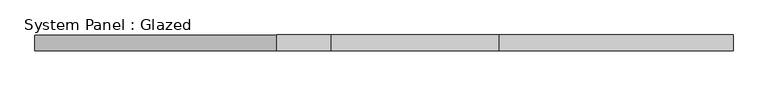
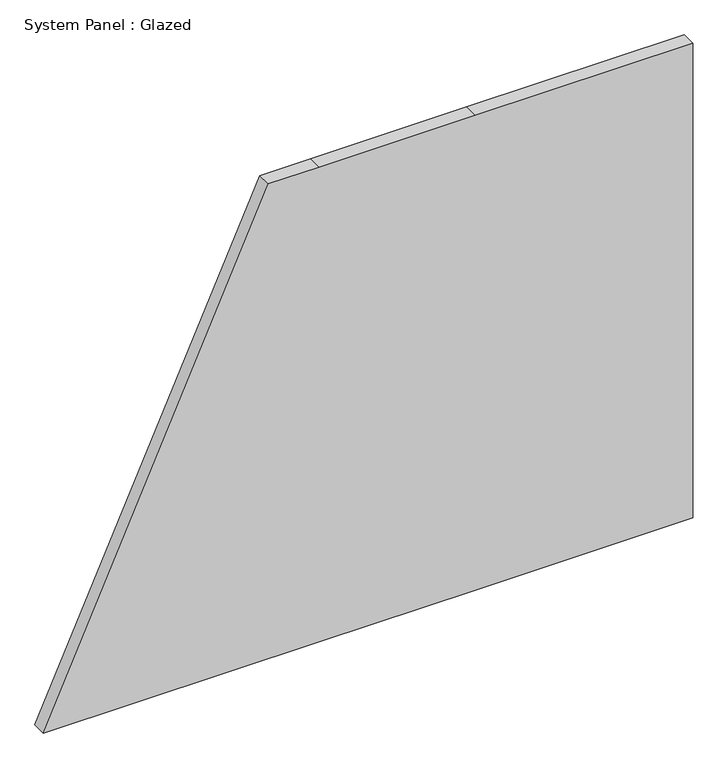
"""IFC4 building model written with IfcOpenShell, lengths in millimetres: plate geometry, System Panel : Glazed."""

from ifc_helpers import new_model, si_unit, point, frame, frame_2d, origin, place, context, project, spatial, polyline, circle_curve, trimmed, segment, composite_curve, outline, extrude, source, transform, mapped, element, save


def system_panel_glazed_610f6d64(model_context):
    return source(origin(), model_context, "Body", "SweptSolid", [
        extrude(outline(composite_curve([segment(polyline([(0.0, -550.1692366), (0.0, -83.2488547), (0.0, 181.3957252), (0.0, 550.1692366), (850.0, 550.1692366), (850.0, 181.3957252), (850.0, -83.2488547), (850.0, -169.0436593)]), True, "CONTINUOUS"), segment(trimmed(circle_curve(frame_2d((-2376.8533559, 5889.1878973)), 6864.0186607), [point((850.0, -169.0436593))], [point((0.0, -550.1692366))], False, "CARTESIAN"), True, "CONTINUOUS")], self_intersect=False)), frame((0.0, 24.5, 0.0), z_axis=(0.0, 1.0, 0.0), x_axis=(0.0, 0.0, 1.0)), (0.0, 0.0, 1.0), 25.0),
    ])


if __name__ == "__main__":
    model = new_model("IFC4")
    model_context = context("Model", 3, world=origin())
    ifc_project = project(units=[si_unit("LENGTHUNIT", "METRE", prefix="MILLI")], contexts=[model_context])
    site = spatial("IfcSite", under=ifc_project)
    building = spatial("IfcBuilding", under=site)
    placement = place(None, origin())
    system_panel_glazed_shape = system_panel_glazed_610f6d64(model_context)
    element("IfcPlate", 1, ObjectType="System Panel : Glazed", at=placement, inside=building, context=model_context, shape_type="MappedRepresentation", body=[
        mapped(system_panel_glazed_shape, transform((0.0, 0.0, 0.0), x_axis=(1.0, 0.0, 0.0), y_axis=(0.0, 1.0, 0.0), z_axis=(0.0, 0.0, 1.0))),
    ])
    save(model, "model.ifc")
